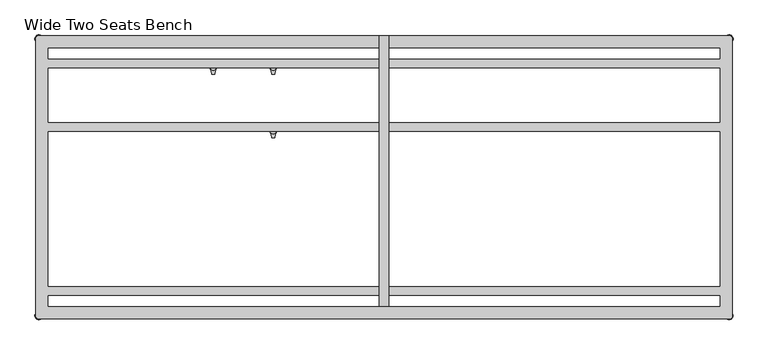
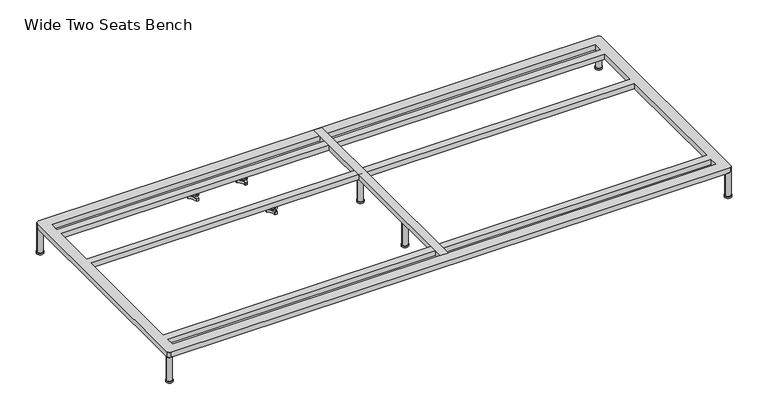
"""IFC4 building model written with IfcOpenShell, lengths in millimetres: furniture geometry, Wide Two Seats Bench."""

from ifc_helpers import new_model, si_unit, point, frame, frame_2d, origin, origin_with_axes, place, context, project, spatial, polyline, circle_curve, trimmed, segment, composite_curve, outline, extrude, source, transform, mapped, element, save
from ifc_brep_helpers import plane_surface, cylinder_surface, revolved_surface, advanced_brep


def wide_two_seats_bench_a20557b4(model_context):
    return source(origin(), model_context, "Body", "SolidModel", [
        advanced_brep(
        [(-519.7611937, -130.2721038, 98.611642), (-523.9837819, -137.585841, 98.611642), (-523.585833, -138.7518724, 98.611642), (-507.7665623, -166.1516574, 98.611642), (-506.9557288, -167.0792988, 98.611642), (-498.5105502, -167.0792988, 98.611642), (-497.706022, -165.9895174, 98.611642), (-481.6037689, -138.4877144, 98.611642), (-481.4824919, -137.5858427, 98.611642), (-485.7050818, -130.2721023, 98.611642), (-486.9138653, -130.0337175, 98.611642), (-518.5524137, -130.0337175, 98.611642), (-493.360263, -145.1926245, 98.611642), (-512.2652749, -145.1926245, 98.611642), (-519.7611937, -130.2721038, 88.6531552), (-518.5524137, -130.0337175, 88.6531552), (-486.9138653, -130.0337175, 88.6531552), (-485.7050818, -130.2721023, 88.6531552), (-481.4824919, -137.5858427, 88.6531552), (-481.6037689, -138.4877144, 88.6531552), (-497.706022, -165.9895174, 88.6531552), (-498.5105502, -167.0792988, 88.6531552), (-506.9557288, -167.0792988, 88.6531552), (-507.7665623, -166.1516574, 88.6531552), (-523.585833, -138.7518724, 88.6531552), (-523.9837819, -137.585841, 88.6531552), (-512.2652749, -145.1926245, 103.6569541), (-493.360263, -145.1926245, 103.6569541)],
        [
            (0, 1, circle_curve(frame((-501.5017056, -145.690049, 98.611642), z_axis=(0.0, 0.0, 1.0), x_axis=(1.0, 0.0, 0.0)), 23.8981576)),
            (1, 2, circle_curve(frame((-523.0562233, -137.920202, 98.611642), z_axis=(0.0, 0.0, 1.0), x_axis=(1.0, 0.0, 0.0)), 0.9859828)),
            (2, 3, circle_curve(frame((-541.981203, -167.6389644, 98.611642), z_axis=(0.0, 0.0, -1.0), x_axis=(1.0, 0.0, 0.0)), 34.246952)),
            (3, 4, circle_curve(frame((-506.7815189, -166.1088376, 98.611642), z_axis=(0.0, 0.0, 1.0), x_axis=(1.0, 0.0, 0.0)), 0.9859736)),
            (4, 5, circle_curve(frame((-502.7331395, -143.5567534, 98.611642), z_axis=(0.0, 0.0, 1.0), x_axis=(1.0, 0.0, 0.0)), 23.8985439)),
            (5, 6, circle_curve(frame((-498.6847621, -166.1088262, 98.611642), z_axis=(0.0, 0.0, 1.0), x_axis=(1.0, 0.0, 0.0)), 0.9859852)),
            (6, 7, circle_curve(frame((-463.4843483, -167.5614211, 98.611642), z_axis=(0.0, 0.0, -1.0), x_axis=(1.0, 0.0, 0.0)), 34.2577557)),
            (7, 8, circle_curve(frame((-482.4100533, -137.9202011, 98.611642), z_axis=(0.0, 0.0, 1.0), x_axis=(1.0, 0.0, 0.0)), 0.9859847)),
            (8, 9, circle_curve(frame((-503.9641822, -145.6898258, 98.611642), z_axis=(0.0, 0.0, 1.0), x_axis=(1.0, 0.0, 0.0)), 23.8977184)),
            (9, 10, circle_curve(frame((-486.4584281, -130.9082171, 98.611642), z_axis=(0.0, 0.0, 1.0), x_axis=(1.0, 0.0, 0.0)), 0.9859881)),
            (10, 11, circle_curve(frame((-502.7331395, -99.6586209, 98.611642), z_axis=(0.0, 0.0, -1.0), x_axis=(1.0, 0.0, 0.0)), 34.2475683)),
            (11, 0, circle_curve(frame((-519.0078488, -130.9082131, 98.611642), z_axis=(0.0, 0.0, 1.0), x_axis=(1.0, 0.0, 0.0)), 0.9859835)),
            (12, 13, circle_curve(frame((-502.8127689, -145.1926245, 98.611642), z_axis=(0.0, 0.0, -1.0), x_axis=(1.0, 0.0, 0.0)), 9.452506)),
            (13, 12, circle_curve(frame((-502.8127689, -145.1926245, 98.611642), z_axis=(0.0, 0.0, -1.0), x_axis=(1.0, 0.0, 0.0)), 9.452506)),
            (14, 15, circle_curve(frame((-519.0078488, -130.9082131, 88.6531552), z_axis=(0.0, 0.0, -1.0), x_axis=(1.0, 0.0, 0.0)), 0.9859835)),
            (15, 16, circle_curve(frame((-502.7331395, -99.6586209, 88.6531552), z_axis=(0.0, 0.0, 1.0), x_axis=(1.0, 0.0, 0.0)), 34.2475683)),
            (16, 17, circle_curve(frame((-486.4584281, -130.9082171, 88.6531552), z_axis=(0.0, 0.0, -1.0), x_axis=(1.0, 0.0, 0.0)), 0.9859881)),
            (17, 18, circle_curve(frame((-503.9641822, -145.6898258, 88.6531552), z_axis=(0.0, 0.0, -1.0), x_axis=(1.0, 0.0, 0.0)), 23.8977184)),
            (18, 19, circle_curve(frame((-482.4100533, -137.9202011, 88.6531552), z_axis=(0.0, 0.0, -1.0), x_axis=(1.0, 0.0, 0.0)), 0.9859847)),
            (19, 20, circle_curve(frame((-463.4843483, -167.5614211, 88.6531552), z_axis=(0.0, 0.0, 1.0), x_axis=(1.0, 0.0, 0.0)), 34.2577557)),
            (20, 21, circle_curve(frame((-498.6847621, -166.1088262, 88.6531552), z_axis=(0.0, 0.0, -1.0), x_axis=(1.0, 0.0, 0.0)), 0.9859852)),
            (21, 22, circle_curve(frame((-502.7331395, -143.5567534, 88.6531552), z_axis=(0.0, 0.0, -1.0), x_axis=(1.0, 0.0, 0.0)), 23.8985439)),
            (22, 23, circle_curve(frame((-506.7815189, -166.1088376, 88.6531552), z_axis=(0.0, 0.0, -1.0), x_axis=(1.0, 0.0, 0.0)), 0.9859736)),
            (23, 24, circle_curve(frame((-541.981203, -167.6389644, 88.6531552), z_axis=(0.0, 0.0, 1.0), x_axis=(1.0, 0.0, 0.0)), 34.246952)),
            (24, 25, circle_curve(frame((-523.0562233, -137.920202, 88.6531552), z_axis=(0.0, 0.0, -1.0), x_axis=(1.0, 0.0, 0.0)), 0.9859828)),
            (25, 14, circle_curve(frame((-501.5017056, -145.690049, 88.6531552), z_axis=(0.0, 0.0, -1.0), x_axis=(1.0, 0.0, 0.0)), 23.8981576)),
            (26, 27, circle_curve(frame((-502.8127689, -145.1926245, 103.6569541), z_axis=(0.0, 0.0, 1.0), x_axis=(1.0, 0.0, 0.0)), 9.452506)),
            (27, 26, circle_curve(frame((-502.8127689, -145.1926245, 103.6569541), z_axis=(0.0, 0.0, 1.0), x_axis=(1.0, 0.0, 0.0)), 9.452506)),
            (0, 14),
            (25, 1),
            (24, 2),
            (23, 3),
            (22, 4),
            (21, 5),
            (20, 6),
            (19, 7),
            (18, 8),
            (17, 9),
            (16, 10),
            (15, 11),
            (26, 13),
            (12, 27),
        ],
        [
            plane_surface(frame((-477.603548, -145.690049, 98.611642), z_axis=(0.0, 0.0, 1.0), x_axis=(0.0, 1.0, 0.0))),
            plane_surface(frame((-477.603548, -145.690049, 88.6531552), z_axis=(0.0, 0.0, -1.0), x_axis=(0.0, -1.0, 0.0))),
            plane_surface(frame((-493.360263, -145.1926245, 103.6569541), z_axis=(0.0, 0.0, 1.0), x_axis=(0.0, 1.0, 0.0))),
            cylinder_surface(frame((-501.5017056, -145.690049, 88.6531552), z_axis=(0.0, 0.0, 1.0), x_axis=(1.0, 0.0, 0.0)), 23.8981576),
            cylinder_surface(frame((-523.0562233, -137.920202, 88.6531552), z_axis=(0.0, 0.0, 1.0), x_axis=(1.0, 0.0, 0.0)), 0.9859828),
            revolved_surface(polyline([(-507.73425100000003, -167.6389644, 88.6531552), (-507.73425100000003, -167.6389644, 98.611642)]), (-541.981203, -167.6389644, 88.6531552), (0.0, 0.0, -1.0)),
            cylinder_surface(frame((-506.7815189, -166.1088376, 88.6531552), z_axis=(0.0, 0.0, 1.0), x_axis=(1.0, 0.0, 0.0)), 0.9859736),
            cylinder_surface(frame((-502.7331395, -143.5567534, 88.6531552), z_axis=(0.0, 0.0, 1.0), x_axis=(1.0, 0.0, 0.0)), 23.8985439),
            cylinder_surface(frame((-498.6847621, -166.1088262, 88.6531552), z_axis=(0.0, 0.0, 1.0), x_axis=(1.0, 0.0, 0.0)), 0.9859852),
            revolved_surface(polyline([(-429.2265926, -167.5614211, 88.6531552), (-429.2265926, -167.5614211, 98.611642)]), (-463.4843483, -167.5614211, 88.6531552), (0.0, 0.0, -1.0)),
            cylinder_surface(frame((-482.4100533, -137.9202011, 88.6531552), z_axis=(0.0, 0.0, 1.0), x_axis=(1.0, 0.0, 0.0)), 0.9859847),
            cylinder_surface(frame((-503.9641822, -145.6898258, 88.6531552), z_axis=(0.0, 0.0, 1.0), x_axis=(1.0, 0.0, 0.0)), 23.8977184),
            cylinder_surface(frame((-486.4584281, -130.9082171, 88.6531552), z_axis=(0.0, 0.0, 1.0), x_axis=(1.0, 0.0, 0.0)), 0.9859881),
            revolved_surface(polyline([(-468.4855712, -99.6586209, 88.6531552), (-468.4855712, -99.6586209, 98.611642)]), (-502.7331395, -99.6586209, 88.6531552), (0.0, 0.0, -1.0)),
            cylinder_surface(frame((-519.0078488, -130.9082131, 88.6531552), z_axis=(0.0, 0.0, 1.0), x_axis=(1.0, 0.0, 0.0)), 0.9859835),
            cylinder_surface(frame((-502.8127689, -145.1926245, 98.611642), z_axis=(0.0, 0.0, 1.0), x_axis=(1.0, 0.0, 0.0)), 9.452506),
        ],
        [
            (0, [[1, 2, 3, 4, 5, 6, 7, 8, 9, 10, 11, 12], [13, 14]]),
            (1, [[15, 16, 17, 18, 19, 20, 21, 22, 23, 24, 25, 26]]),
            (2, [[27, 28]]),
            (3, [[-1, 29, -26, 30]]),
            (4, [[-2, -30, -25, 31]]),
            (5, [[-3, -31, -24, 32]]),
            (6, [[-4, -32, -23, 33]]),
            (7, [[-5, -33, -22, 34]]),
            (8, [[-6, -34, -21, 35]]),
            (9, [[-7, -35, -20, 36]]),
            (10, [[-8, -36, -19, 37]]),
            (11, [[-9, -37, -18, 38]]),
            (12, [[-10, -38, -17, 39]]),
            (13, [[-11, -39, -16, 40]]),
            (14, [[-12, -40, -15, -29]]),
            (15, [[-27, 41, -13, 42]]),
            (15, [[-28, -42, -14, -41]]),
        ],
    ),
        advanced_brep(
        [(-519.7611937, 69.7278978, 98.611642), (-523.9837819, 62.4141605, 98.611642), (-523.585833, 61.2481292, 98.611642), (-507.7665623, 33.8483441, 98.611642), (-506.9557288, 32.9207027, 98.611642), (-498.5105502, 32.9207027, 98.611642), (-497.706022, 34.0104841, 98.611642), (-481.6037689, 61.5122871, 98.611642), (-481.4824919, 62.4141588, 98.611642), (-485.7050818, 69.7278992, 98.611642), (-486.9138653, 69.966284, 98.611642), (-518.5524137, 69.966284, 98.611642), (-493.360263, 54.807377, 98.611642), (-512.2652749, 54.807377, 98.611642), (-519.7611937, 69.7278978, 88.6531552), (-518.5524137, 69.966284, 88.6531552), (-486.9138653, 69.966284, 88.6531552), (-485.7050818, 69.7278992, 88.6531552), (-481.4824919, 62.4141588, 88.6531552), (-481.6037689, 61.5122871, 88.6531552), (-497.706022, 34.0104841, 88.6531552), (-498.5105502, 32.9207027, 88.6531552), (-506.9557288, 32.9207027, 88.6531552), (-507.7665623, 33.8483441, 88.6531552), (-523.585833, 61.2481292, 88.6531552), (-523.9837819, 62.4141605, 88.6531552), (-512.2652749, 54.807377, 103.6569541), (-493.360263, 54.807377, 103.6569541)],
        [
            (0, 1, circle_curve(frame((-501.5017056, 54.3099526, 98.611642), z_axis=(0.0, 0.0, 1.0), x_axis=(1.0, 0.0, 0.0)), 23.8981576)),
            (1, 2, circle_curve(frame((-523.0562233, 62.0797996, 98.611642), z_axis=(0.0, 0.0, 1.0), x_axis=(1.0, 0.0, 0.0)), 0.9859828)),
            (2, 3, circle_curve(frame((-541.981203, 32.3610372, 98.611642), z_axis=(0.0, 0.0, -1.0), x_axis=(1.0, 0.0, 0.0)), 34.246952)),
            (3, 4, circle_curve(frame((-506.7815189, 33.8911639, 98.611642), z_axis=(0.0, 0.0, 1.0), x_axis=(1.0, 0.0, 0.0)), 0.9859736)),
            (4, 5, circle_curve(frame((-502.7331395, 56.4432481, 98.611642), z_axis=(0.0, 0.0, 1.0), x_axis=(1.0, 0.0, 0.0)), 23.8985439)),
            (5, 6, circle_curve(frame((-498.6847621, 33.8911753, 98.611642), z_axis=(0.0, 0.0, 1.0), x_axis=(1.0, 0.0, 0.0)), 0.9859852)),
            (6, 7, circle_curve(frame((-463.4843483, 32.4385804, 98.611642), z_axis=(0.0, 0.0, -1.0), x_axis=(1.0, 0.0, 0.0)), 34.2577557)),
            (7, 8, circle_curve(frame((-482.4100533, 62.0798004, 98.611642), z_axis=(0.0, 0.0, 1.0), x_axis=(1.0, 0.0, 0.0)), 0.9859847)),
            (8, 9, circle_curve(frame((-503.9641822, 54.3101757, 98.611642), z_axis=(0.0, 0.0, 1.0), x_axis=(1.0, 0.0, 0.0)), 23.8977184)),
            (9, 10, circle_curve(frame((-486.4584281, 69.0917844, 98.611642), z_axis=(0.0, 0.0, 1.0), x_axis=(1.0, 0.0, 0.0)), 0.9859881)),
            (10, 11, circle_curve(frame((-502.7331395, 100.3413806, 98.611642), z_axis=(0.0, 0.0, -1.0), x_axis=(1.0, 0.0, 0.0)), 34.2475683)),
            (11, 0, circle_curve(frame((-519.0078488, 69.0917885, 98.611642), z_axis=(0.0, 0.0, 1.0), x_axis=(1.0, 0.0, 0.0)), 0.9859835)),
            (12, 13, circle_curve(frame((-502.8127689, 54.807377, 98.611642), z_axis=(0.0, 0.0, -1.0), x_axis=(1.0, 0.0, 0.0)), 9.452506)),
            (13, 12, circle_curve(frame((-502.8127689, 54.807377, 98.611642), z_axis=(0.0, 0.0, -1.0), x_axis=(1.0, 0.0, 0.0)), 9.452506)),
            (14, 15, circle_curve(frame((-519.0078488, 69.0917885, 88.6531552), z_axis=(0.0, 0.0, -1.0), x_axis=(1.0, 0.0, 0.0)), 0.9859835)),
            (15, 16, circle_curve(frame((-502.7331395, 100.3413806, 88.6531552), z_axis=(0.0, 0.0, 1.0), x_axis=(1.0, 0.0, 0.0)), 34.2475683)),
            (16, 17, circle_curve(frame((-486.4584281, 69.0917844, 88.6531552), z_axis=(0.0, 0.0, -1.0), x_axis=(1.0, 0.0, 0.0)), 0.9859881)),
            (17, 18, circle_curve(frame((-503.9641822, 54.3101757, 88.6531552), z_axis=(0.0, 0.0, -1.0), x_axis=(1.0, 0.0, 0.0)), 23.8977184)),
            (18, 19, circle_curve(frame((-482.4100533, 62.0798004, 88.6531552), z_axis=(0.0, 0.0, -1.0), x_axis=(1.0, 0.0, 0.0)), 0.9859847)),
            (19, 20, circle_curve(frame((-463.4843483, 32.4385804, 88.6531552), z_axis=(0.0, 0.0, 1.0), x_axis=(1.0, 0.0, 0.0)), 34.2577557)),
            (20, 21, circle_curve(frame((-498.6847621, 33.8911753, 88.6531552), z_axis=(0.0, 0.0, -1.0), x_axis=(1.0, 0.0, 0.0)), 0.9859852)),
            (21, 22, circle_curve(frame((-502.7331395, 56.4432481, 88.6531552), z_axis=(0.0, 0.0, -1.0), x_axis=(1.0, 0.0, 0.0)), 23.8985439)),
            (22, 23, circle_curve(frame((-506.7815189, 33.8911639, 88.6531552), z_axis=(0.0, 0.0, -1.0), x_axis=(1.0, 0.0, 0.0)), 0.9859736)),
            (23, 24, circle_curve(frame((-541.981203, 32.3610372, 88.6531552), z_axis=(0.0, 0.0, 1.0), x_axis=(1.0, 0.0, 0.0)), 34.246952)),
            (24, 25, circle_curve(frame((-523.0562233, 62.0797996, 88.6531552), z_axis=(0.0, 0.0, -1.0), x_axis=(1.0, 0.0, 0.0)), 0.9859828)),
            (25, 14, circle_curve(frame((-501.5017056, 54.3099526, 88.6531552), z_axis=(0.0, 0.0, -1.0), x_axis=(1.0, 0.0, 0.0)), 23.8981576)),
            (26, 27, circle_curve(frame((-502.8127689, 54.807377, 103.6569541), z_axis=(0.0, 0.0, 1.0), x_axis=(1.0, 0.0, 0.0)), 9.452506)),
            (27, 26, circle_curve(frame((-502.8127689, 54.807377, 103.6569541), z_axis=(0.0, 0.0, 1.0), x_axis=(1.0, 0.0, 0.0)), 9.452506)),
            (0, 14),
            (25, 1),
            (24, 2),
            (23, 3),
            (22, 4),
            (21, 5),
            (20, 6),
            (19, 7),
            (18, 8),
            (17, 9),
            (16, 10),
            (15, 11),
            (26, 13),
            (12, 27),
        ],
        [
            plane_surface(frame((-477.603548, 54.3099526, 98.611642), z_axis=(0.0, 0.0, 1.0), x_axis=(0.0, 1.0, 0.0))),
            plane_surface(frame((-477.603548, 54.3099526, 88.6531552), z_axis=(0.0, 0.0, -1.0), x_axis=(0.0, -1.0, 0.0))),
            plane_surface(frame((-493.360263, 54.807377, 103.6569541), z_axis=(0.0, 0.0, 1.0), x_axis=(0.0, 1.0, 0.0))),
            cylinder_surface(frame((-501.5017056, 54.3099526, 88.6531552), z_axis=(0.0, 0.0, 1.0), x_axis=(1.0, 0.0, 0.0)), 23.8981576),
            cylinder_surface(frame((-523.0562233, 62.0797996, 88.6531552), z_axis=(0.0, 0.0, 1.0), x_axis=(1.0, 0.0, 0.0)), 0.9859828),
            revolved_surface(polyline([(-507.73425100000003, 32.3610372, 88.6531552), (-507.73425100000003, 32.3610372, 98.611642)]), (-541.981203, 32.3610372, 88.6531552), (0.0, 0.0, -1.0)),
            cylinder_surface(frame((-506.7815189, 33.8911639, 88.6531552), z_axis=(0.0, 0.0, 1.0), x_axis=(1.0, 0.0, 0.0)), 0.9859736),
            cylinder_surface(frame((-502.7331395, 56.4432481, 88.6531552), z_axis=(0.0, 0.0, 1.0), x_axis=(1.0, 0.0, 0.0)), 23.8985439),
            cylinder_surface(frame((-498.6847621, 33.8911753, 88.6531552), z_axis=(0.0, 0.0, 1.0), x_axis=(1.0, 0.0, 0.0)), 0.9859852),
            revolved_surface(polyline([(-429.2265926, 32.4385804, 88.6531552), (-429.2265926, 32.4385804, 98.611642)]), (-463.4843483, 32.4385804, 88.6531552), (0.0, 0.0, -1.0)),
            cylinder_surface(frame((-482.4100533, 62.0798004, 88.6531552), z_axis=(0.0, 0.0, 1.0), x_axis=(1.0, 0.0, 0.0)), 0.9859847),
            cylinder_surface(frame((-503.9641822, 54.3101757, 88.6531552), z_axis=(0.0, 0.0, 1.0), x_axis=(1.0, 0.0, 0.0)), 23.8977184),
            cylinder_surface(frame((-486.4584281, 69.0917844, 88.6531552), z_axis=(0.0, 0.0, 1.0), x_axis=(1.0, 0.0, 0.0)), 0.9859881),
            revolved_surface(polyline([(-468.4855712, 100.3413806, 88.6531552), (-468.4855712, 100.3413806, 98.611642)]), (-502.7331395, 100.3413806, 88.6531552), (0.0, 0.0, -1.0)),
            cylinder_surface(frame((-519.0078488, 69.0917885, 88.6531552), z_axis=(0.0, 0.0, 1.0), x_axis=(1.0, 0.0, 0.0)), 0.9859835),
            cylinder_surface(frame((-502.8127689, 54.807377, 98.611642), z_axis=(0.0, 0.0, 1.0), x_axis=(1.0, 0.0, 0.0)), 9.452506),
        ],
        [
            (0, [[1, 2, 3, 4, 5, 6, 7, 8, 9, 10, 11, 12], [13, 14]]),
            (1, [[15, 16, 17, 18, 19, 20, 21, 22, 23, 24, 25, 26]]),
            (2, [[27, 28]]),
            (3, [[-1, 29, -26, 30]]),
            (4, [[-2, -30, -25, 31]]),
            (5, [[-3, -31, -24, 32]]),
            (6, [[-4, -32, -23, 33]]),
            (7, [[-5, -33, -22, 34]]),
            (8, [[-6, -34, -21, 35]]),
            (9, [[-7, -35, -20, 36]]),
            (10, [[-8, -36, -19, 37]]),
            (11, [[-9, -37, -18, 38]]),
            (12, [[-10, -38, -17, 39]]),
            (13, [[-11, -39, -16, 40]]),
            (14, [[-12, -40, -15, -29]]),
            (15, [[-27, 41, -13, 42]]),
            (15, [[-28, -42, -14, -41]]),
        ],
    ),
        advanced_brep(
        [(-708.6567178, 69.7278978, 98.611642), (-712.879306, 62.4141605, 98.611642), (-712.4813572, 61.2481292, 98.611642), (-696.6620864, 33.8483441, 98.611642), (-695.8512529, 32.9207027, 98.611642), (-687.4060744, 32.9207027, 98.611642), (-686.6015461, 34.0104841, 98.611642), (-670.4992931, 61.5122871, 98.611642), (-670.378016, 62.4141588, 98.611642), (-674.600606, 69.7278992, 98.611642), (-675.8093894, 69.966284, 98.611642), (-707.4479379, 69.966284, 98.611642), (-682.2557871, 54.807377, 98.611642), (-701.160799, 54.807377, 98.611642), (-708.6567178, 69.7278978, 88.6531552), (-707.4479379, 69.966284, 88.6531552), (-675.8093894, 69.966284, 88.6531552), (-674.600606, 69.7278992, 88.6531552), (-670.378016, 62.4141588, 88.6531552), (-670.4992931, 61.5122871, 88.6531552), (-686.6015461, 34.0104841, 88.6531552), (-687.4060744, 32.9207027, 88.6531552), (-695.8512529, 32.9207027, 88.6531552), (-696.6620864, 33.8483441, 88.6531552), (-712.4813572, 61.2481292, 88.6531552), (-712.879306, 62.4141605, 88.6531552), (-701.160799, 54.807377, 103.6569541), (-682.2557871, 54.807377, 103.6569541)],
        [
            (0, 1, circle_curve(frame((-690.3972298, 54.3099526, 98.611642), z_axis=(0.0, 0.0, 1.0), x_axis=(1.0, 0.0, 0.0)), 23.8981576)),
            (1, 2, circle_curve(frame((-711.9517474, 62.0797996, 98.611642), z_axis=(0.0, 0.0, 1.0), x_axis=(1.0, 0.0, 0.0)), 0.9859828)),
            (2, 3, circle_curve(frame((-730.8767271, 32.3610372, 98.611642), z_axis=(0.0, 0.0, -1.0), x_axis=(1.0, 0.0, 0.0)), 34.246952)),
            (3, 4, circle_curve(frame((-695.6770431, 33.8911639, 98.611642), z_axis=(0.0, 0.0, 1.0), x_axis=(1.0, 0.0, 0.0)), 0.9859736)),
            (4, 5, circle_curve(frame((-691.6286636, 56.4432481, 98.611642), z_axis=(0.0, 0.0, 1.0), x_axis=(1.0, 0.0, 0.0)), 23.8985439)),
            (5, 6, circle_curve(frame((-687.5802862, 33.8911753, 98.611642), z_axis=(0.0, 0.0, 1.0), x_axis=(1.0, 0.0, 0.0)), 0.9859852)),
            (6, 7, circle_curve(frame((-652.3798725, 32.4385804, 98.611642), z_axis=(0.0, 0.0, -1.0), x_axis=(1.0, 0.0, 0.0)), 34.2577557)),
            (7, 8, circle_curve(frame((-671.3055775, 62.0798004, 98.611642), z_axis=(0.0, 0.0, 1.0), x_axis=(1.0, 0.0, 0.0)), 0.9859847)),
            (8, 9, circle_curve(frame((-692.8597064, 54.3101757, 98.611642), z_axis=(0.0, 0.0, 1.0), x_axis=(1.0, 0.0, 0.0)), 23.8977184)),
            (9, 10, circle_curve(frame((-675.3539522, 69.0917844, 98.611642), z_axis=(0.0, 0.0, 1.0), x_axis=(1.0, 0.0, 0.0)), 0.9859881)),
            (10, 11, circle_curve(frame((-691.6286636, 100.3413806, 98.611642), z_axis=(0.0, 0.0, -1.0), x_axis=(1.0, 0.0, 0.0)), 34.2475683)),
            (11, 0, circle_curve(frame((-707.9033729, 69.0917885, 98.611642), z_axis=(0.0, 0.0, 1.0), x_axis=(1.0, 0.0, 0.0)), 0.9859835)),
            (12, 13, circle_curve(frame((-691.7082931, 54.807377, 98.611642), z_axis=(0.0, 0.0, -1.0), x_axis=(1.0, 0.0, 0.0)), 9.452506)),
            (13, 12, circle_curve(frame((-691.7082931, 54.807377, 98.611642), z_axis=(0.0, 0.0, -1.0), x_axis=(1.0, 0.0, 0.0)), 9.452506)),
            (14, 15, circle_curve(frame((-707.9033729, 69.0917885, 88.6531552), z_axis=(0.0, 0.0, -1.0), x_axis=(1.0, 0.0, 0.0)), 0.9859835)),
            (15, 16, circle_curve(frame((-691.6286636, 100.3413806, 88.6531552), z_axis=(0.0, 0.0, 1.0), x_axis=(1.0, 0.0, 0.0)), 34.2475683)),
            (16, 17, circle_curve(frame((-675.3539522, 69.0917844, 88.6531552), z_axis=(0.0, 0.0, -1.0), x_axis=(1.0, 0.0, 0.0)), 0.9859881)),
            (17, 18, circle_curve(frame((-692.8597064, 54.3101757, 88.6531552), z_axis=(0.0, 0.0, -1.0), x_axis=(1.0, 0.0, 0.0)), 23.8977184)),
            (18, 19, circle_curve(frame((-671.3055775, 62.0798004, 88.6531552), z_axis=(0.0, 0.0, -1.0), x_axis=(1.0, 0.0, 0.0)), 0.9859847)),
            (19, 20, circle_curve(frame((-652.3798725, 32.4385804, 88.6531552), z_axis=(0.0, 0.0, 1.0), x_axis=(1.0, 0.0, 0.0)), 34.2577557)),
            (20, 21, circle_curve(frame((-687.5802862, 33.8911753, 88.6531552), z_axis=(0.0, 0.0, -1.0), x_axis=(1.0, 0.0, 0.0)), 0.9859852)),
            (21, 22, circle_curve(frame((-691.6286636, 56.4432481, 88.6531552), z_axis=(0.0, 0.0, -1.0), x_axis=(1.0, 0.0, 0.0)), 23.8985439)),
            (22, 23, circle_curve(frame((-695.6770431, 33.8911639, 88.6531552), z_axis=(0.0, 0.0, -1.0), x_axis=(1.0, 0.0, 0.0)), 0.9859736)),
            (23, 24, circle_curve(frame((-730.8767271, 32.3610372, 88.6531552), z_axis=(0.0, 0.0, 1.0), x_axis=(1.0, 0.0, 0.0)), 34.246952)),
            (24, 25, circle_curve(frame((-711.9517474, 62.0797996, 88.6531552), z_axis=(0.0, 0.0, -1.0), x_axis=(1.0, 0.0, 0.0)), 0.9859828)),
            (25, 14, circle_curve(frame((-690.3972298, 54.3099526, 88.6531552), z_axis=(0.0, 0.0, -1.0), x_axis=(1.0, 0.0, 0.0)), 23.8981576)),
            (26, 27, circle_curve(frame((-691.7082931, 54.807377, 103.6569541), z_axis=(0.0, 0.0, 1.0), x_axis=(1.0, 0.0, 0.0)), 9.452506)),
            (27, 26, circle_curve(frame((-691.7082931, 54.807377, 103.6569541), z_axis=(0.0, 0.0, 1.0), x_axis=(1.0, 0.0, 0.0)), 9.452506)),
            (0, 14),
            (25, 1),
            (24, 2),
            (23, 3),
            (22, 4),
            (21, 5),
            (20, 6),
            (19, 7),
            (18, 8),
            (17, 9),
            (16, 10),
            (15, 11),
            (26, 13),
            (12, 27),
        ],
        [
            plane_surface(frame((-666.4990722, 54.3099526, 98.611642), z_axis=(0.0, 0.0, 1.0), x_axis=(0.0, 1.0, 0.0))),
            plane_surface(frame((-666.4990722, 54.3099526, 88.6531552), z_axis=(0.0, 0.0, -1.0), x_axis=(0.0, -1.0, 0.0))),
            plane_surface(frame((-682.2557871, 54.807377, 103.6569541), z_axis=(0.0, 0.0, 1.0), x_axis=(0.0, 1.0, 0.0))),
            cylinder_surface(frame((-690.3972298, 54.3099526, 88.6531552), z_axis=(0.0, 0.0, 1.0), x_axis=(1.0, 0.0, 0.0)), 23.8981576),
            cylinder_surface(frame((-711.9517474, 62.0797996, 88.6531552), z_axis=(0.0, 0.0, 1.0), x_axis=(1.0, 0.0, 0.0)), 0.9859828),
            revolved_surface(polyline([(-696.6297751000001, 32.3610372, 88.6531552), (-696.6297751000001, 32.3610372, 98.611642)]), (-730.8767271, 32.3610372, 88.6531552), (0.0, 0.0, -1.0)),
            cylinder_surface(frame((-695.6770431, 33.8911639, 88.6531552), z_axis=(0.0, 0.0, 1.0), x_axis=(1.0, 0.0, 0.0)), 0.9859736),
            cylinder_surface(frame((-691.6286636, 56.4432481, 88.6531552), z_axis=(0.0, 0.0, 1.0), x_axis=(1.0, 0.0, 0.0)), 23.8985439),
            cylinder_surface(frame((-687.5802862, 33.8911753, 88.6531552), z_axis=(0.0, 0.0, 1.0), x_axis=(1.0, 0.0, 0.0)), 0.9859852),
            revolved_surface(polyline([(-618.1221168000001, 32.4385804, 88.6531552), (-618.1221168000001, 32.4385804, 98.611642)]), (-652.3798725, 32.4385804, 88.6531552), (0.0, 0.0, -1.0)),
            cylinder_surface(frame((-671.3055775, 62.0798004, 88.6531552), z_axis=(0.0, 0.0, 1.0), x_axis=(1.0, 0.0, 0.0)), 0.9859847),
            cylinder_surface(frame((-692.8597064, 54.3101757, 88.6531552), z_axis=(0.0, 0.0, 1.0), x_axis=(1.0, 0.0, 0.0)), 23.8977184),
            cylinder_surface(frame((-675.3539522, 69.0917844, 88.6531552), z_axis=(0.0, 0.0, 1.0), x_axis=(1.0, 0.0, 0.0)), 0.9859881),
            revolved_surface(polyline([(-657.3810953, 100.3413806, 88.6531552), (-657.3810953, 100.3413806, 98.611642)]), (-691.6286636, 100.3413806, 88.6531552), (0.0, 0.0, -1.0)),
            cylinder_surface(frame((-707.9033729, 69.0917885, 88.6531552), z_axis=(0.0, 0.0, 1.0), x_axis=(1.0, 0.0, 0.0)), 0.9859835),
            cylinder_surface(frame((-691.7082931, 54.807377, 98.611642), z_axis=(0.0, 0.0, 1.0), x_axis=(1.0, 0.0, 0.0)), 9.452506),
        ],
        [
            (0, [[1, 2, 3, 4, 5, 6, 7, 8, 9, 10, 11, 12], [13, 14]]),
            (1, [[15, 16, 17, 18, 19, 20, 21, 22, 23, 24, 25, 26]]),
            (2, [[27, 28]]),
            (3, [[-1, 29, -26, 30]]),
            (4, [[-2, -30, -25, 31]]),
            (5, [[-3, -31, -24, 32]]),
            (6, [[-4, -32, -23, 33]]),
            (7, [[-5, -33, -22, 34]]),
            (8, [[-6, -34, -21, 35]]),
            (9, [[-7, -35, -20, 36]]),
            (10, [[-8, -36, -19, 37]]),
            (11, [[-9, -37, -18, 38]]),
            (12, [[-10, -38, -17, 39]]),
            (13, [[-11, -39, -16, 40]]),
            (14, [[-12, -40, -15, -29]]),
            (15, [[-27, 41, -13, 42]]),
            (15, [[-28, -42, -14, -41]]),
        ],
    ),
        extrude(outline(composite_curve([segment(trimmed(circle_curve(frame_2d((-155.4452882, -433.7002937)), 10.4664203), [point((-165.9117085, -433.7002937))], [point((-144.9788678, -433.7002937))], False, "CARTESIAN"), True, "CONTINUOUS"), segment(trimmed(circle_curve(frame_2d((-155.4452882, -433.7002937)), 10.4664203), [point((-144.9788678, -433.7002937))], [point((-165.9117085, -433.7002937))], False, "CARTESIAN"), True, "CONTINUOUS")], self_intersect=False)), origin_with_axes(), (0.0, 0.0, 1.0), 103.6569541),
        extrude(outline(composite_curve([segment(trimmed(circle_curve(frame_2d((-155.4452882, -133.6667163)), 10.4664203), [point((-165.9117085, -133.6667163))], [point((-144.9788678, -133.6667163))], False, "CARTESIAN"), True, "CONTINUOUS"), segment(trimmed(circle_curve(frame_2d((-155.4452882, -133.6667163)), 10.4664203), [point((-144.9788678, -133.6667163))], [point((-165.9117085, -133.6667163))], False, "CARTESIAN"), True, "CONTINUOUS")], self_intersect=False)), origin_with_axes(), (0.0, 0.0, 1.0), 103.6569541),
        extrude(outline(composite_curve([segment(trimmed(circle_curve(frame_2d((-155.4452882, -433.7002937)), 12.5000005), [point((-167.9452886, -433.7002937))], [point((-142.9452877, -433.7002937))], False, "CARTESIAN"), True, "CONTINUOUS"), segment(trimmed(circle_curve(frame_2d((-155.4452882, -433.7002937)), 12.5000005), [point((-142.9452877, -433.7002937))], [point((-167.9452886, -433.7002937))], False, "CARTESIAN"), True, "CONTINUOUS")], self_intersect=False)), origin_with_axes(), (0.0, 0.0, 1.0), 6.0),
        extrude(outline(composite_curve([segment(trimmed(circle_curve(frame_2d((-155.4452882, -133.6667163)), 12.5000005), [point((-167.9452886, -133.6667163))], [point((-142.9452877, -133.6667163))], False, "CARTESIAN"), True, "CONTINUOUS"), segment(trimmed(circle_curve(frame_2d((-155.4452882, -133.6667163)), 12.5000005), [point((-142.9452877, -133.6667163))], [point((-167.9452886, -133.6667163))], False, "CARTESIAN"), True, "CONTINUOUS")], self_intersect=False)), origin_with_axes(), (0.0, 0.0, 1.0), 6.0),
        extrude(outline(polyline([(-169.7406049, -696.2002953), (-169.7406049, 153.6358637), (-139.7406192, 153.6358637), (-139.7406192, -696.2002953), (-169.7406049, -696.2002953)])), frame((0.0, 0.0, 103.6569541), z_axis=(0.0, 0.0, 1.0), x_axis=(1.0, 0.0, 0.0)), (0.0, 0.0, 1.0), 20.3430443),
        extrude(outline(composite_curve([segment(trimmed(circle_curve(frame_2d((-1239.490311, 143.787786)), 12.5000005), [point((-1251.9903115, 143.787786))], [point((-1226.9903105, 143.787786))], False, "CARTESIAN"), True, "CONTINUOUS"), segment(trimmed(circle_curve(frame_2d((-1239.490311, 143.787786)), 12.5000005), [point((-1226.9903105, 143.787786))], [point((-1251.9903115, 143.787786))], False, "CARTESIAN"), True, "CONTINUOUS")], self_intersect=False)), origin_with_axes(), (0.0, 0.0, 1.0), 6.0),
        extrude(outline(composite_curve([segment(trimmed(circle_curve(frame_2d((-1239.490311, -726.2491859)), 12.5000005), [point((-1251.9903115, -726.2491859))], [point((-1226.9903105, -726.2491859))], False, "CARTESIAN"), True, "CONTINUOUS"), segment(trimmed(circle_curve(frame_2d((-1239.490311, -726.2491859)), 12.5000005), [point((-1226.9903105, -726.2491859))], [point((-1251.9903115, -726.2491859))], False, "CARTESIAN"), True, "CONTINUOUS")], self_intersect=False)), origin_with_axes(), (0.0, 0.0, 1.0), 6.0),
        extrude(outline(composite_curve([segment(trimmed(circle_curve(frame_2d((930.1872347, 143.787786)), 12.5000005), [point((917.6872342, 143.787786))], [point((942.6872352, 143.787786))], False, "CARTESIAN"), True, "CONTINUOUS"), segment(trimmed(circle_curve(frame_2d((930.1872347, 143.787786)), 12.5000005), [point((942.6872352, 143.787786))], [point((917.6872342, 143.787786))], False, "CARTESIAN"), True, "CONTINUOUS")], self_intersect=False)), origin_with_axes(), (0.0, 0.0, 1.0), 6.0),
        extrude(outline(composite_curve([segment(trimmed(circle_curve(frame_2d((930.0926028, -726.2033172)), 12.5000005), [point((917.5926024, -726.2033172))], [point((942.5926033, -726.2033172))], False, "CARTESIAN"), True, "CONTINUOUS"), segment(trimmed(circle_curve(frame_2d((930.0926028, -726.2033172)), 12.5000005), [point((942.5926033, -726.2033172))], [point((917.5926024, -726.2033172))], False, "CARTESIAN"), True, "CONTINUOUS")], self_intersect=False)), origin_with_axes(), (0.0, 0.0, 1.0), 6.0),
        extrude(outline(composite_curve([segment(trimmed(circle_curve(frame_2d((-1239.490311, 143.787786)), 10.4664203), [point((-1249.9567314, 143.787786))], [point((-1229.0238907, 143.787786))], False, "CARTESIAN"), True, "CONTINUOUS"), segment(trimmed(circle_curve(frame_2d((-1239.490311, 143.787786)), 10.4664203), [point((-1229.0238907, 143.787786))], [point((-1249.9567314, 143.787786))], False, "CARTESIAN"), True, "CONTINUOUS")], self_intersect=False)), origin_with_axes(), (0.0, 0.0, 1.0), 103.6569541),
        extrude(outline(composite_curve([segment(trimmed(circle_curve(frame_2d((930.1617227, -726.1628448)), 10.4664203), [point((919.6953024, -726.1628448))], [point((940.6281431, -726.1628448))], False, "CARTESIAN"), True, "CONTINUOUS"), segment(trimmed(circle_curve(frame_2d((930.1617227, -726.1628448)), 10.4664203), [point((940.6281431, -726.1628448))], [point((919.6953024, -726.1628448))], False, "CARTESIAN"), True, "CONTINUOUS")], self_intersect=False)), origin_with_axes(), (0.0, 0.0, 1.0), 103.6569541),
        extrude(outline(composite_curve([segment(trimmed(circle_curve(frame_2d((930.2402147, 143.7799368)), 10.4664203), [point((919.7737944, 143.7799368))], [point((940.706635, 143.7799368))], False, "CARTESIAN"), True, "CONTINUOUS"), segment(trimmed(circle_curve(frame_2d((930.2402147, 143.7799368)), 10.4664203), [point((940.706635, 143.7799368))], [point((919.7737944, 143.7799368))], False, "CARTESIAN"), True, "CONTINUOUS")], self_intersect=False)), origin_with_axes(), (0.0, 0.0, 1.0), 103.6569541),
        extrude(outline(composite_curve([segment(trimmed(circle_curve(frame_2d((-1239.4189857, -726.0945909)), 10.4664203), [point((-1249.8854061, -726.0945909))], [point((-1228.9525654, -726.0945909))], False, "CARTESIAN"), True, "CONTINUOUS"), segment(trimmed(circle_curve(frame_2d((-1239.4189857, -726.0945909)), 10.4664203), [point((-1228.9525654, -726.0945909))], [point((-1249.8854061, -726.0945909))], False, "CARTESIAN"), True, "CONTINUOUS")], self_intersect=False)), origin_with_axes(), (0.0, 0.0, 1.0), 103.6569541),
        extrude(outline(composite_curve([segment(polyline([(-1239.9363796, 153.6358637), (930.4551554, 153.6358637)]), True, "CONTINUOUS"), segment(trimmed(circle_curve(frame_2d((930.4551554, 144.0819322)), 9.5539314), [point((930.4551554, 153.6358637))], [point((940.0090868, 144.0819322))], False, "CARTESIAN"), True, "CONTINUOUS"), segment(polyline([(940.0090868, 144.0819322), (940.0090868, -728.9954927)]), True, "CONTINUOUS"), segment(trimmed(circle_curve(frame_2d((932.8161728, -728.9954927)), 7.192914), [point((940.0090868, -728.9954927))], [point((932.8161728, -736.1884068))], False, "CARTESIAN"), True, "CONTINUOUS"), segment(polyline([(932.8161728, -736.1884068), (-1239.6875349, -736.1884068)]), True, "CONTINUOUS"), segment(trimmed(circle_curve(frame_2d((-1239.6875349, -726.3856306)), 9.8027761), [point((-1239.6875349, -736.1884068))], [point((-1249.490311, -726.3856306))], False, "CARTESIAN"), True, "CONTINUOUS"), segment(polyline([(-1249.490311, -726.3856306), (-1249.490311, 144.0819322)]), True, "CONTINUOUS"), segment(trimmed(circle_curve(frame_2d((-1239.9363796, 144.0819322)), 9.5539314), [point((-1249.490311, 144.0819322))], [point((-1239.9363796, 153.6358637))], False, "CARTESIAN"), True, "CONTINUOUS")], self_intersect=False), holes=[polyline([(-1209.5022296, -663.7579623), (-1209.5022296, -696.2002953), (900.1108076, -696.2002953), (900.1108076, -663.7579623), (-1209.5022296, -663.7579623)]), polyline([(-1209.5022296, 113.7997046), (-1209.5022296, 81.2997034), (900.1108076, 81.2997034), (900.1108076, 113.7997046), (-1209.5022296, 113.7997046)]), polyline([(-1209.5022296, -148.700302), (-1209.5022296, -633.7579584), (900.1108076, -633.7579584), (900.1108076, -148.700302), (-1209.5022296, -148.700302)]), polyline([(900.1108076, 51.2996995), (-1209.5022296, 51.2996995), (-1209.5022296, -118.7002981), (900.1108076, -118.7002981), (900.1108076, 51.2996995)])]), frame((0.0, 0.0, 103.6569541), z_axis=(0.0, 0.0, 1.0), x_axis=(1.0, 0.0, 0.0)), (0.0, 0.0, 1.0), 20.3430443),
    ])


if __name__ == "__main__":
    model = new_model("IFC4")
    model_context = context("Model", 3, world=origin())
    ifc_project = project(units=[si_unit("LENGTHUNIT", "METRE", prefix="MILLI")], contexts=[model_context])
    site = spatial("IfcSite", under=ifc_project)
    building = spatial("IfcBuilding", under=site)
    placement = place(None, origin())
    wide_two_seats_bench_shape = wide_two_seats_bench_a20557b4(model_context)
    element("IfcFurniture", 1, ObjectType="Wide Two Seats Bench", at=placement, inside=building, context=model_context, shape_type="MappedRepresentation", body=[
        mapped(wide_two_seats_bench_shape, transform((0.0, 0.0, 0.0), x_axis=(1.0, 0.0, 0.0), y_axis=(0.0, 1.0, 0.0), z_axis=(0.0, 0.0, 1.0))),
    ])
    save(model, "model.ifc")
